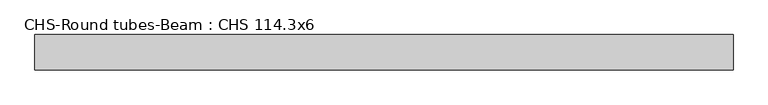
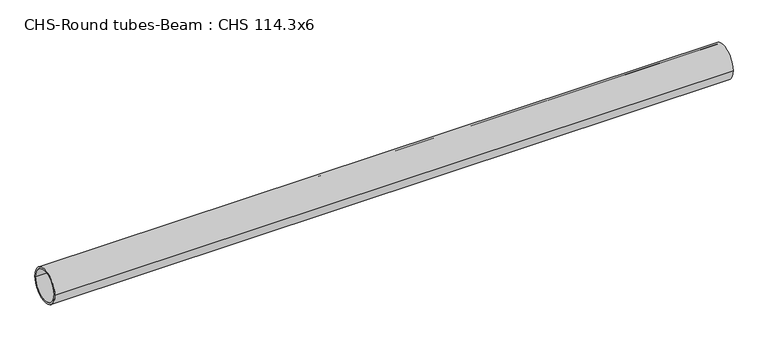
"""IFC4 building model written with IfcOpenShell, lengths in millimetres: beam geometry, CHS-Round tubes-Beam : CHS 114.3x6."""

import ifcopenshell
import ifcopenshell.guid

model = None  # the IFC model being written
_history = None  # IfcOwnerHistory: only IFC2X3 demands one
_inside = {}  # id of a spatial element -> (the spatial element, [elements in it])
_under = {}  # id of a project, library or spatial element -> (it, [spatial elements below it])
_declared = {}  # id of a project -> (the project, [libraries it declares])
_typed = {}  # id of a type object -> (the type object, [elements of that type])
_made_of = {}  # id of a material, layer set ... -> (it, [elements and type objects made of it])


def new_model(schema):
    """Start an empty IFC model of exactly this schema.

    Asked for "IFC4X3", IfcOpenShell would pick the latest addendum, in which some entities
    have other attributes; the version numbers below select the first issue.
    IFC2X3 requires an IfcOwnerHistory on every rooted entity: one is made here for all.
    """
    global model, _history
    if schema == "IFC4X3":
        model = ifcopenshell.file(schema_version=(4, 3, 0, 0))
    else:
        model = ifcopenshell.file(schema=schema)
    _inside.clear()
    _under.clear()
    _declared.clear()
    _typed.clear()
    _made_of.clear()
    _history = None
    if model.schema == "IFC2X3":
        org = make("IfcOrganization", Name="unknown")
        user = make(
            "IfcPersonAndOrganization",
            ThePerson=make("IfcPerson", FamilyName="unknown"),
            TheOrganization=org,
        )
        app = make(
            "IfcApplication",
            ApplicationDeveloper=org,
            Version="unknown",
            ApplicationFullName="unknown",
            ApplicationIdentifier="unknown",
        )
        _history = make(
            "IfcOwnerHistory",
            OwningUser=user,
            OwningApplication=app,
            ChangeAction="ADDED",
            CreationDate=0,
        )
    return model


def make(cls, **values):
    """One entity of the class cls with the attributes given. An attribute that is None is left unset."""
    return model.create_entity(
        cls, **{name: value for name, value in values.items() if value is not None}
    )


def rooted(cls, **values):
    """An entity with a GlobalId (a new one), such as an element, a storey or a relation."""
    return make(cls, GlobalId=ifcopenshell.guid.new(), OwnerHistory=_history, **values)


def si_unit(unit_type, name, prefix=None):
    """IfcSIUnit, for example si_unit("LENGTHUNIT", "METRE", prefix="MILLI")."""
    return make("IfcSIUnit", UnitType=unit_type, Prefix=prefix, Name=name)


def assignment(units):
    """IfcUnitAssignment: the units of a project."""
    return None if units is None else make("IfcUnitAssignment", Units=units)


def point(xyz):
    """IfcCartesianPoint."""
    return None if xyz is None else make("IfcCartesianPoint", Coordinates=xyz)


def direction(xyz):
    """IfcDirection."""
    return None if xyz is None else make("IfcDirection", DirectionRatios=xyz)


def frame(location, z_axis=None, x_axis=None):
    """IfcAxis2Placement3D, a coordinate frame: its origin and axes. An axis left out is left unset."""
    return make(
        "IfcAxis2Placement3D",
        Location=point(location),
        Axis=direction(z_axis),
        RefDirection=direction(x_axis),
    )


def frame_2d(location, x_axis=None):
    """IfcAxis2Placement2D, a coordinate frame in the plane: its origin and x axis."""
    return make(
        "IfcAxis2Placement2D", Location=point(location), RefDirection=direction(x_axis)
    )


def origin():
    """The frame at (0, 0, 0) with its axes left unset."""
    return frame((0.0, 0.0, 0.0))


def origin_2d():
    """The frame at (0, 0) in the plane with its x axis left unset."""
    return frame_2d((0.0, 0.0))


def place(relative_to, where):
    """IfcLocalPlacement: puts the frame where relative to a parent placement (None: the world)."""
    return make(
        "IfcLocalPlacement", PlacementRelTo=relative_to, RelativePlacement=where
    )


def context(
    kind, dimensions, precision=None, world=None, true_north=None, identifier=None
):
    """IfcGeometricRepresentationContext, for example the 3D "Model" context."""
    return make(
        "IfcGeometricRepresentationContext",
        ContextIdentifier=identifier,
        ContextType=kind,
        CoordinateSpaceDimension=dimensions,
        Precision=precision,
        WorldCoordinateSystem=world,
        TrueNorth=true_north,
    )


def project(units=None, contexts=None):
    """IfcProject with its units and contexts."""
    return rooted(
        "IfcProject",
        Name="project",
        RepresentationContexts=contexts,
        UnitsInContext=assignment(units),
    )


def spatial(cls, under=None, at=None, **own):
    """A site, building, storey or space (cls), placed at a placement, below another one or the project."""
    s = rooted(cls, ObjectPlacement=at, **own)
    if under is not None:
        _under.setdefault(under.id(), (under, []))[1].append(s)
    return s


def circle_curve(where, radius):
    """IfcCircle in the frame where."""
    return make("IfcCircle", Position=where, Radius=radius)


def trimmed(basis, trim1, trim2, sense, master):
    """IfcTrimmedCurve: the piece of a basis curve between two trims."""
    return make(
        "IfcTrimmedCurve",
        BasisCurve=basis,
        Trim1=trim1,
        Trim2=trim2,
        SenseAgreement=sense,
        MasterRepresentation=master,
    )


def segment(curve, same_sense, transition):
    """IfcCompositeCurveSegment."""
    return make(
        "IfcCompositeCurveSegment",
        Transition=transition,
        SameSense=same_sense,
        ParentCurve=curve,
    )


def composite_curve(segments, self_intersect=None):
    """IfcCompositeCurve: segments joined end to end."""
    return make("IfcCompositeCurve", Segments=segments, SelfIntersect=self_intersect)


def outline(outer, holes=None, kind="AREA"):
    """IfcArbitraryClosedProfileDef: a profile drawn as a closed curve; with holes, ...WithVoids."""
    if holes is None:
        return make("IfcArbitraryClosedProfileDef", ProfileType=kind, OuterCurve=outer)
    return make(
        "IfcArbitraryProfileDefWithVoids",
        ProfileType=kind,
        OuterCurve=outer,
        InnerCurves=holes,
    )


def extrude(swept, where, along, depth):
    """IfcExtrudedAreaSolid: the profile swept, set in the frame where, extruded along a direction by depth."""
    return make(
        "IfcExtrudedAreaSolid",
        SweptArea=swept,
        Position=where,
        ExtrudedDirection=direction(along),
        Depth=depth,
    )


def shape(context_of_items, identifier, shape_type, items):
    """IfcShapeRepresentation: the items that make up one representation, for example the "Body"."""
    return make(
        "IfcShapeRepresentation",
        ContextOfItems=context_of_items,
        RepresentationIdentifier=identifier,
        RepresentationType=shape_type,
        Items=items,
    )


def source(mapping_origin, context_of_items, identifier, shape_type, items):
    """IfcRepresentationMap: a shape defined once, which mapped items show again and again."""
    return make(
        "IfcRepresentationMap",
        MappingOrigin=mapping_origin,
        MappedRepresentation=shape(context_of_items, identifier, shape_type, items),
    )


def transform(
    local_origin,
    x_axis=None,
    y_axis=None,
    z_axis=None,
    scale=None,
    scale2=None,
    scale3=None,
    uniform=True,
):
    """IfcCartesianTransformationOperator3D, or its non-uniform kind. x_axis, y_axis, z_axis: its Axis1, 2, 3."""
    if uniform:
        return make(
            "IfcCartesianTransformationOperator3D",
            Axis1=direction(x_axis),
            Axis2=direction(y_axis),
            LocalOrigin=point(local_origin),
            Scale=scale,
            Axis3=direction(z_axis),
        )
    return make(
        "IfcCartesianTransformationOperator3DnonUniform",
        Axis1=direction(x_axis),
        Axis2=direction(y_axis),
        LocalOrigin=point(local_origin),
        Scale=scale,
        Axis3=direction(z_axis),
        Scale2=scale2,
        Scale3=scale3,
    )


def mapped(mapping_source, mapping_target):
    """IfcMappedItem: shows the shape of a source again, moved by a transform."""
    return make(
        "IfcMappedItem", MappingSource=mapping_source, MappingTarget=mapping_target
    )


def made_of(thing, what):
    """Note that an element or type object is made of a material, layer set ...; save() writes the relation."""
    if what is not None:
        _made_of.setdefault(what.id(), (what, []))[1].append(thing)
    return thing


def element(
    cls,
    number,
    at=None,
    inside=None,
    cuts=None,
    type_object=None,
    material=None,
    context=None,
    identifier="Body",
    shape_type=None,
    held_by="IfcProductDefinitionShape",
    body=None,
    shapes=None,
    **own,
):
    """One element of the class cls, such as IfcWall. Its Tag is "e" and its number.

    at: its placement. inside: the storey or other place that contains it. cuts: it is an
    opening in that element (IfcRelVoidsElement). A single representation is given by context,
    identifier, shape_type and body (its items); several are given by shapes. held_by: the class
    of the entity that holds the representations. save() writes the other relations.
    """
    e = rooted(cls, Tag="e%d" % number, ObjectPlacement=at, **own)
    if body is not None:
        shapes = [shape(context, identifier, shape_type, body)]
    if shapes is not None:
        e.Representation = make(held_by, Representations=shapes)
    if inside is not None:
        _inside.setdefault(inside.id(), (inside, []))[1].append(e)
    if cuts is not None:
        rooted(
            "IfcRelVoidsElement", RelatingBuildingElement=cuts, RelatedOpeningElement=e
        )
    if type_object is not None:
        _typed.setdefault(type_object.id(), (type_object, []))[1].append(e)
    return made_of(e, material)


def aggregate(whole, parts):
    """IfcRelAggregates: a whole, such as a stair, and the parts it consists of."""
    return rooted("IfcRelAggregates", RelatingObject=whole, RelatedObjects=parts)


def save(model, path):
    """Write the relations noted so far, then the file.

    IfcRelAggregates (storeys below a building ...), IfcRelContainedInSpatialStructure (elements
    in a storey), IfcRelDefinesByType, IfcRelAssociatesMaterial and IfcRelDeclares: one each for
    every whole, place, type object, material and project.
    """
    for whole, parts in _under.values():
        aggregate(whole, parts)
    for where, things in _inside.values():
        rooted(
            "IfcRelContainedInSpatialStructure",
            RelatedElements=things,
            RelatingStructure=where,
        )
    for kind, things in _typed.values():
        rooted("IfcRelDefinesByType", RelatedObjects=things, RelatingType=kind)
    for what, things in _made_of.values():
        rooted("IfcRelAssociatesMaterial", RelatedObjects=things, RelatingMaterial=what)
    for by, libraries in _declared.values():
        rooted("IfcRelDeclares", RelatingContext=by, RelatedDefinitions=libraries)
    model.write(path)


def chs_round_tubes_beam_chs_114_3x6_a01258b1(model_context):
    return source(origin(), model_context, "Body", "SweptSolid", [
        extrude(outline(composite_curve([segment(trimmed(circle_curve(origin_2d(), 57.15), [point((57.15, 0.0))], [point((-57.15, 0.0))], False, "CARTESIAN"), True, "CONTINUOUS"), segment(trimmed(circle_curve(origin_2d(), 57.15), [point((-57.15, 0.0))], [point((57.15, 0.0))], False, "CARTESIAN"), True, "CONTINUOUS")], self_intersect=False), holes=[composite_curve([segment(trimmed(circle_curve(origin_2d(), 51.15), [point((51.15, 0.0))], [point((-51.15, 0.0))], True, "CARTESIAN"), True, "CONTINUOUS"), segment(trimmed(circle_curve(origin_2d(), 51.15), [point((-51.15, 0.0))], [point((51.15, 0.0))], True, "CARTESIAN"), True, "CONTINUOUS")], self_intersect=False)]), frame((-979.7548454, 0.0, 0.0), z_axis=(1.0, 0.0, 0.0), x_axis=(0.0, 1.0, 0.0)), (0.0, 0.0, 1.0), 2259.5968751),
    ])


if __name__ == "__main__":
    model = new_model("IFC4")
    model_context = context("Model", 3, world=origin())
    ifc_project = project(units=[si_unit("LENGTHUNIT", "METRE", prefix="MILLI")], contexts=[model_context])
    site = spatial("IfcSite", under=ifc_project)
    building = spatial("IfcBuilding", under=site)
    placement = place(None, origin())
    chs_round_tubes_beam_chs_114_3x6_shape = chs_round_tubes_beam_chs_114_3x6_a01258b1(model_context)
    element("IfcBeam", 1, ObjectType="CHS-Round tubes-Beam : CHS 114.3x6", at=placement, inside=building, context=model_context, shape_type="MappedRepresentation", body=[
        mapped(chs_round_tubes_beam_chs_114_3x6_shape, transform((0.0, 0.0, 0.0), x_axis=(1.0, 0.0, 0.0), y_axis=(0.0, 1.0, 0.0), z_axis=(0.0, 0.0, 1.0))),
    ])
    save(model, "model.ifc")
